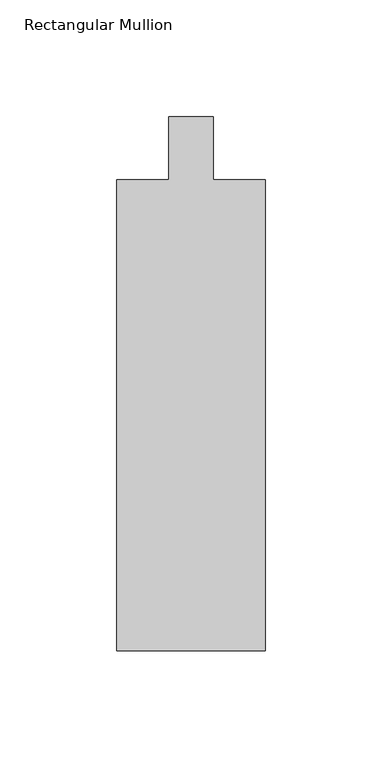
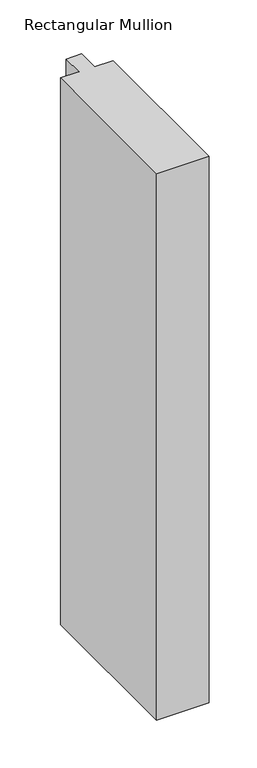
"""IFC4 building model written with IfcOpenShell, lengths in millimetres: member geometry, Rectangular Mullion."""

import ifcopenshell
import ifcopenshell.guid

model = None  # the IFC model being written
_history = None  # IfcOwnerHistory: only IFC2X3 demands one
_inside = {}  # id of a spatial element -> (the spatial element, [elements in it])
_under = {}  # id of a project, library or spatial element -> (it, [spatial elements below it])
_declared = {}  # id of a project -> (the project, [libraries it declares])
_typed = {}  # id of a type object -> (the type object, [elements of that type])
_made_of = {}  # id of a material, layer set ... -> (it, [elements and type objects made of it])


def new_model(schema):
    """Start an empty IFC model of exactly this schema.

    Asked for "IFC4X3", IfcOpenShell would pick the latest addendum, in which some entities
    have other attributes; the version numbers below select the first issue.
    IFC2X3 requires an IfcOwnerHistory on every rooted entity: one is made here for all.
    """
    global model, _history
    if schema == "IFC4X3":
        model = ifcopenshell.file(schema_version=(4, 3, 0, 0))
    else:
        model = ifcopenshell.file(schema=schema)
    _inside.clear()
    _under.clear()
    _declared.clear()
    _typed.clear()
    _made_of.clear()
    _history = None
    if model.schema == "IFC2X3":
        org = make("IfcOrganization", Name="unknown")
        user = make(
            "IfcPersonAndOrganization",
            ThePerson=make("IfcPerson", FamilyName="unknown"),
            TheOrganization=org,
        )
        app = make(
            "IfcApplication",
            ApplicationDeveloper=org,
            Version="unknown",
            ApplicationFullName="unknown",
            ApplicationIdentifier="unknown",
        )
        _history = make(
            "IfcOwnerHistory",
            OwningUser=user,
            OwningApplication=app,
            ChangeAction="ADDED",
            CreationDate=0,
        )
    return model


def make(cls, **values):
    """One entity of the class cls with the attributes given. An attribute that is None is left unset."""
    return model.create_entity(
        cls, **{name: value for name, value in values.items() if value is not None}
    )


def rooted(cls, **values):
    """An entity with a GlobalId (a new one), such as an element, a storey or a relation."""
    return make(cls, GlobalId=ifcopenshell.guid.new(), OwnerHistory=_history, **values)


def si_unit(unit_type, name, prefix=None):
    """IfcSIUnit, for example si_unit("LENGTHUNIT", "METRE", prefix="MILLI")."""
    return make("IfcSIUnit", UnitType=unit_type, Prefix=prefix, Name=name)


def assignment(units):
    """IfcUnitAssignment: the units of a project."""
    return None if units is None else make("IfcUnitAssignment", Units=units)


def point(xyz):
    """IfcCartesianPoint."""
    return None if xyz is None else make("IfcCartesianPoint", Coordinates=xyz)


def direction(xyz):
    """IfcDirection."""
    return None if xyz is None else make("IfcDirection", DirectionRatios=xyz)


def frame(location, z_axis=None, x_axis=None):
    """IfcAxis2Placement3D, a coordinate frame: its origin and axes. An axis left out is left unset."""
    return make(
        "IfcAxis2Placement3D",
        Location=point(location),
        Axis=direction(z_axis),
        RefDirection=direction(x_axis),
    )


def origin():
    """The frame at (0, 0, 0) with its axes left unset."""
    return frame((0.0, 0.0, 0.0))


def place(relative_to, where):
    """IfcLocalPlacement: puts the frame where relative to a parent placement (None: the world)."""
    return make(
        "IfcLocalPlacement", PlacementRelTo=relative_to, RelativePlacement=where
    )


def context(
    kind, dimensions, precision=None, world=None, true_north=None, identifier=None
):
    """IfcGeometricRepresentationContext, for example the 3D "Model" context."""
    return make(
        "IfcGeometricRepresentationContext",
        ContextIdentifier=identifier,
        ContextType=kind,
        CoordinateSpaceDimension=dimensions,
        Precision=precision,
        WorldCoordinateSystem=world,
        TrueNorth=true_north,
    )


def project(units=None, contexts=None):
    """IfcProject with its units and contexts."""
    return rooted(
        "IfcProject",
        Name="project",
        RepresentationContexts=contexts,
        UnitsInContext=assignment(units),
    )


def spatial(cls, under=None, at=None, **own):
    """A site, building, storey or space (cls), placed at a placement, below another one or the project."""
    s = rooted(cls, ObjectPlacement=at, **own)
    if under is not None:
        _under.setdefault(under.id(), (under, []))[1].append(s)
    return s


def polyline(points):
    """IfcPolyline through the points."""
    return make("IfcPolyline", Points=[point(p) for p in points])


def outline(outer, holes=None, kind="AREA"):
    """IfcArbitraryClosedProfileDef: a profile drawn as a closed curve; with holes, ...WithVoids."""
    if holes is None:
        return make("IfcArbitraryClosedProfileDef", ProfileType=kind, OuterCurve=outer)
    return make(
        "IfcArbitraryProfileDefWithVoids",
        ProfileType=kind,
        OuterCurve=outer,
        InnerCurves=holes,
    )


def extrude(swept, where, along, depth):
    """IfcExtrudedAreaSolid: the profile swept, set in the frame where, extruded along a direction by depth."""
    return make(
        "IfcExtrudedAreaSolid",
        SweptArea=swept,
        Position=where,
        ExtrudedDirection=direction(along),
        Depth=depth,
    )


def shape(context_of_items, identifier, shape_type, items):
    """IfcShapeRepresentation: the items that make up one representation, for example the "Body"."""
    return make(
        "IfcShapeRepresentation",
        ContextOfItems=context_of_items,
        RepresentationIdentifier=identifier,
        RepresentationType=shape_type,
        Items=items,
    )


def source(mapping_origin, context_of_items, identifier, shape_type, items):
    """IfcRepresentationMap: a shape defined once, which mapped items show again and again."""
    return make(
        "IfcRepresentationMap",
        MappingOrigin=mapping_origin,
        MappedRepresentation=shape(context_of_items, identifier, shape_type, items),
    )


def transform(
    local_origin,
    x_axis=None,
    y_axis=None,
    z_axis=None,
    scale=None,
    scale2=None,
    scale3=None,
    uniform=True,
):
    """IfcCartesianTransformationOperator3D, or its non-uniform kind. x_axis, y_axis, z_axis: its Axis1, 2, 3."""
    if uniform:
        return make(
            "IfcCartesianTransformationOperator3D",
            Axis1=direction(x_axis),
            Axis2=direction(y_axis),
            LocalOrigin=point(local_origin),
            Scale=scale,
            Axis3=direction(z_axis),
        )
    return make(
        "IfcCartesianTransformationOperator3DnonUniform",
        Axis1=direction(x_axis),
        Axis2=direction(y_axis),
        LocalOrigin=point(local_origin),
        Scale=scale,
        Axis3=direction(z_axis),
        Scale2=scale2,
        Scale3=scale3,
    )


def mapped(mapping_source, mapping_target):
    """IfcMappedItem: shows the shape of a source again, moved by a transform."""
    return make(
        "IfcMappedItem", MappingSource=mapping_source, MappingTarget=mapping_target
    )


def made_of(thing, what):
    """Note that an element or type object is made of a material, layer set ...; save() writes the relation."""
    if what is not None:
        _made_of.setdefault(what.id(), (what, []))[1].append(thing)
    return thing


def element(
    cls,
    number,
    at=None,
    inside=None,
    cuts=None,
    type_object=None,
    material=None,
    context=None,
    identifier="Body",
    shape_type=None,
    held_by="IfcProductDefinitionShape",
    body=None,
    shapes=None,
    **own,
):
    """One element of the class cls, such as IfcWall. Its Tag is "e" and its number.

    at: its placement. inside: the storey or other place that contains it. cuts: it is an
    opening in that element (IfcRelVoidsElement). A single representation is given by context,
    identifier, shape_type and body (its items); several are given by shapes. held_by: the class
    of the entity that holds the representations. save() writes the other relations.
    """
    e = rooted(cls, Tag="e%d" % number, ObjectPlacement=at, **own)
    if body is not None:
        shapes = [shape(context, identifier, shape_type, body)]
    if shapes is not None:
        e.Representation = make(held_by, Representations=shapes)
    if inside is not None:
        _inside.setdefault(inside.id(), (inside, []))[1].append(e)
    if cuts is not None:
        rooted(
            "IfcRelVoidsElement", RelatingBuildingElement=cuts, RelatedOpeningElement=e
        )
    if type_object is not None:
        _typed.setdefault(type_object.id(), (type_object, []))[1].append(e)
    return made_of(e, material)


def aggregate(whole, parts):
    """IfcRelAggregates: a whole, such as a stair, and the parts it consists of."""
    return rooted("IfcRelAggregates", RelatingObject=whole, RelatedObjects=parts)


def save(model, path):
    """Write the relations noted so far, then the file.

    IfcRelAggregates (storeys below a building ...), IfcRelContainedInSpatialStructure (elements
    in a storey), IfcRelDefinesByType, IfcRelAssociatesMaterial and IfcRelDeclares: one each for
    every whole, place, type object, material and project.
    """
    for whole, parts in _under.values():
        aggregate(whole, parts)
    for where, things in _inside.values():
        rooted(
            "IfcRelContainedInSpatialStructure",
            RelatedElements=things,
            RelatingStructure=where,
        )
    for kind, things in _typed.values():
        rooted("IfcRelDefinesByType", RelatedObjects=things, RelatingType=kind)
    for what, things in _made_of.values():
        rooted("IfcRelAssociatesMaterial", RelatedObjects=things, RelatingMaterial=what)
    for by, libraries in _declared.values():
        rooted("IfcRelDeclares", RelatingContext=by, RelatedDefinitions=libraries)
    model.write(path)


def rectangular_mullion_fc0bfdc1(model_context):
    return source(origin(), model_context, "Body", "SweptSolid", [
        extrude(outline(polyline([(-63.5, -228.6), (-63.5, -26.9875), (-41.275, -26.9875), (-41.275, 0.0), (-22.225, 0.0), (-22.225, -26.9875), (0.0, -26.9875), (0.0, -228.6), (-63.5, -228.6)])), frame((0.0, 0.0, -698.5), z_axis=(0.0, 0.0, 1.0), x_axis=(1.0, 0.0, 0.0)), (0.0, 0.0, 1.0), 698.5),
    ])


if __name__ == "__main__":
    model = new_model("IFC4")
    model_context = context("Model", 3, world=origin())
    ifc_project = project(units=[si_unit("LENGTHUNIT", "METRE", prefix="MILLI")], contexts=[model_context])
    site = spatial("IfcSite", under=ifc_project)
    building = spatial("IfcBuilding", under=site)
    placement = place(None, origin())
    rectangular_mullion_shape = rectangular_mullion_fc0bfdc1(model_context)
    element("IfcMember", 1, ObjectType="Rectangular Mullion", at=placement, inside=building, context=model_context, shape_type="MappedRepresentation", body=[
        mapped(rectangular_mullion_shape, transform((0.0, 0.0, 0.0), x_axis=(1.0, 0.0, 0.0), y_axis=(0.0, 1.0, 0.0), z_axis=(0.0, 0.0, 1.0))),
    ])
    save(model, "model.ifc")
